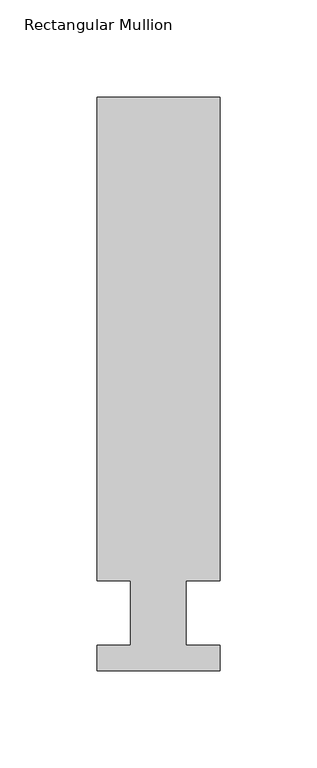
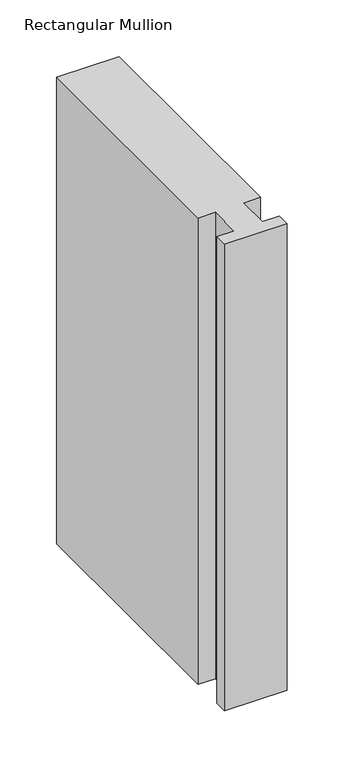
"""IFC4 building model written with IfcOpenShell, lengths in millimetres: member geometry, Rectangular Mullion."""

from ifc_helpers import new_model, si_unit, frame, origin, place, context, project, spatial, polyline, outline, extrude, source, transform, mapped, element, save


def rectangular_mullion_d22030ce(model_context):
    return source(origin(), model_context, "Body", "SweptSolid", [
        extrude(outline(polyline([(-63.5000004, 13.3945322), (-46.0248007, 13.3945322), (-46.0248007, 46.7447322), (-63.4999996, 46.7447323), (-63.4999996, 295.9695324), (0.0, 295.9695321), (0.0, 46.744732), (-17.4625006, 46.7447321), (-17.4625006, 13.3945321), (-3e-07, 13.3945321), (-3e-07, 0.211932), (-63.5000004, 0.2119323), (-63.5000004, 13.3945322)])), frame((0.0, 0.0, -501.65), z_axis=(0.0, 0.0, 1.0), x_axis=(1.0, 0.0, 0.0)), (0.0, 0.0, 1.0), 501.65),
    ])


if __name__ == "__main__":
    model = new_model("IFC4")
    model_context = context("Model", 3, world=origin())
    ifc_project = project(units=[si_unit("LENGTHUNIT", "METRE", prefix="MILLI")], contexts=[model_context])
    site = spatial("IfcSite", under=ifc_project)
    building = spatial("IfcBuilding", under=site)
    placement = place(None, origin())
    rectangular_mullion_shape = rectangular_mullion_d22030ce(model_context)
    element("IfcMember", 1, ObjectType="Rectangular Mullion", at=placement, inside=building, context=model_context, shape_type="MappedRepresentation", body=[
        mapped(rectangular_mullion_shape, transform((0.0, 0.0, 0.0), x_axis=(1.0, 0.0, 0.0), y_axis=(0.0, 1.0, 0.0), z_axis=(0.0, 0.0, 1.0))),
    ])
    save(model, "model.ifc")
